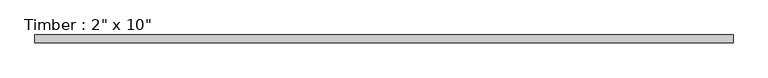
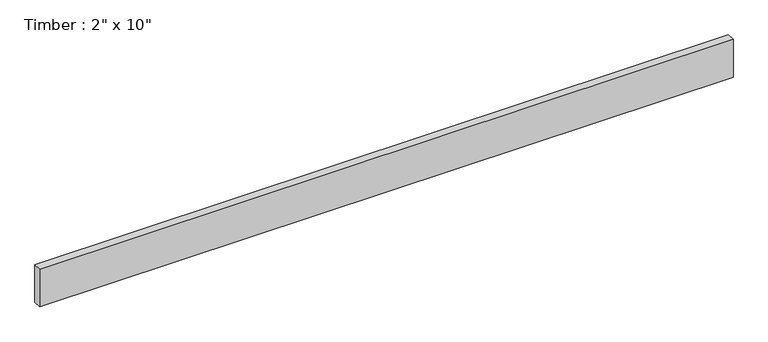
"""IFC4 building model written with IfcOpenShell, lengths in millimetres: beam geometry."""

from ifc_helpers import new_model, si_unit, frame, origin, place, context, project, spatial, polyline, outline, extrude, source, transform, mapped, element, save


def beam_8d0c6aac(model_context):
    return source(origin(), model_context, "Body", "SweptSolid", [
        extrude(outline(polyline([(2209.8, 25.4), (2209.8, -25.4), (-2209.8, -25.4), (-2209.8, 25.4), (2209.8, 25.4)])), frame((0.0, 0.0, -127.0), z_axis=(0.0, 0.0, 1.0), x_axis=(1.0, 0.0, 0.0)), (0.0, 0.0, 1.0), 254.0),
    ])


if __name__ == "__main__":
    model = new_model("IFC4")
    model_context = context("Model", 3, world=origin())
    ifc_project = project(units=[si_unit("LENGTHUNIT", "METRE", prefix="MILLI")], contexts=[model_context])
    site = spatial("IfcSite", under=ifc_project)
    building = spatial("IfcBuilding", under=site)
    placement = place(None, origin())
    beam_shape = beam_8d0c6aac(model_context)
    element("IfcBeam", 1, ObjectType="Timber : 2\" x 10\"", at=placement, inside=building, context=model_context, shape_type="MappedRepresentation", body=[
        mapped(beam_shape, transform((0.0, 0.0, 0.0), x_axis=(1.0, 0.0, 0.0), y_axis=(0.0, 1.0, 0.0), z_axis=(0.0, 0.0, 1.0))),
    ])
    save(model, "model.ifc")
